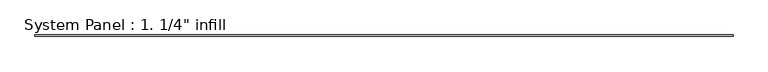
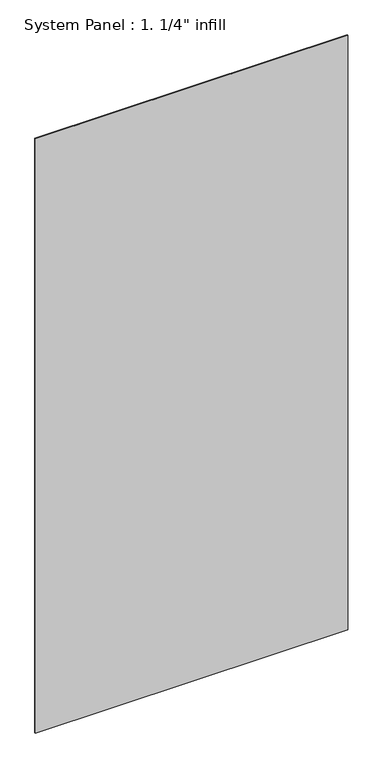
"""IFC4 building model written with IfcOpenShell, lengths in millimetres: plate geometry."""

from ifc_helpers import new_model, si_unit, origin, origin_with_axes, place, context, project, spatial, polyline, outline, extrude, source, transform, mapped, element, save


def plate_dc912f9c(model_context):
    return source(origin(), model_context, "Body", "SweptSolid", [
        extrude(outline(polyline([(1492.25, -3.175), (-1492.25, -3.175), (-1492.25, 3.175), (1492.25, 3.175), (1492.25, -3.175)])), origin_with_axes(), (0.0, 0.0, 1.0), 6000.75),
    ])


if __name__ == "__main__":
    model = new_model("IFC4")
    model_context = context("Model", 3, world=origin())
    ifc_project = project(units=[si_unit("LENGTHUNIT", "METRE", prefix="MILLI")], contexts=[model_context])
    site = spatial("IfcSite", under=ifc_project)
    building = spatial("IfcBuilding", under=site)
    placement = place(None, origin())
    plate_shape = plate_dc912f9c(model_context)
    element("IfcPlate", 1, ObjectType="System Panel : 1. 1/4\" infill", at=placement, inside=building, context=model_context, shape_type="MappedRepresentation", body=[
        mapped(plate_shape, transform((0.0, 0.0, 0.0), x_axis=(1.0, 0.0, 0.0), y_axis=(0.0, 1.0, 0.0), z_axis=(0.0, 0.0, 1.0))),
    ])
    save(model, "model.ifc")
